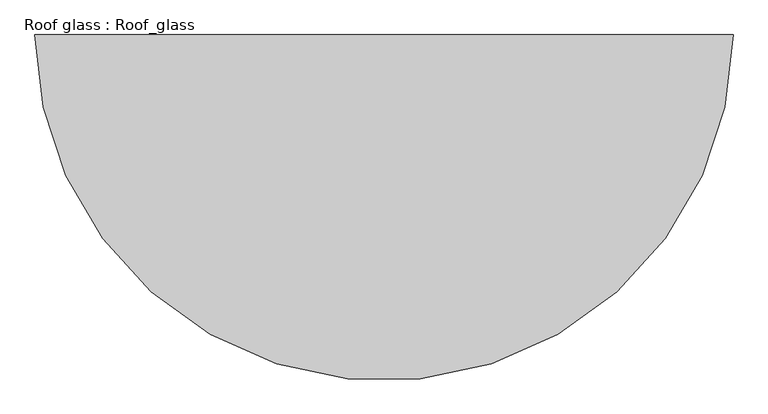
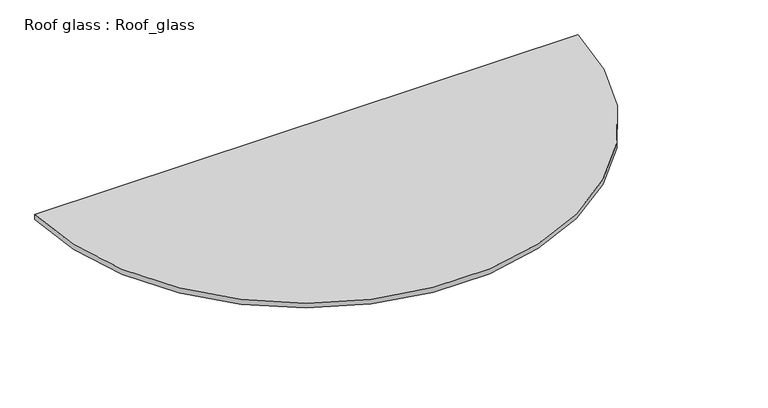
"""IFC4 building model written with IfcOpenShell, lengths in millimetres: proxy geometry, Roof glass : Roof_glass."""

from ifc_helpers import new_model, si_unit, point, origin, origin_with_axes, origin_2d, place, context, project, spatial, polyline, circle_curve, trimmed, segment, composite_curve, outline, extrude, source, transform, mapped, element, save


def roof_glass_roof_glass_5caeb777(model_context):
    return source(origin(), model_context, "Body", "SweptSolid", [
        extrude(outline(composite_curve([segment(trimmed(circle_curve(origin_2d(), 922.0), [point((921.9694952, -7.5))], [point((-921.9694952, -7.5))], False, "CARTESIAN"), True, "CONTINUOUS"), segment(polyline([(-921.9694952, -7.5), (921.9694952, -7.5)]), True, "CONTINUOUS")], self_intersect=False)), origin_with_axes(), (0.0, 0.0, 1.0), 17.0),
    ])


if __name__ == "__main__":
    model = new_model("IFC4")
    model_context = context("Model", 3, world=origin())
    ifc_project = project(units=[si_unit("LENGTHUNIT", "METRE", prefix="MILLI")], contexts=[model_context])
    site = spatial("IfcSite", under=ifc_project)
    building = spatial("IfcBuilding", under=site)
    placement = place(None, origin())
    roof_glass_roof_glass_shape = roof_glass_roof_glass_5caeb777(model_context)
    element("IfcBuildingElementProxy", 1, Name="Roof glass : Roof_glass", ObjectType="Roof glass : Roof_glass", at=placement, inside=building, context=model_context, shape_type="MappedRepresentation", body=[
        mapped(roof_glass_roof_glass_shape, transform((0.0, 0.0, 0.0), x_axis=(1.0, 0.0, 0.0), y_axis=(0.0, 1.0, 0.0), z_axis=(0.0, 0.0, 1.0))),
    ])
    save(model, "model.ifc")
